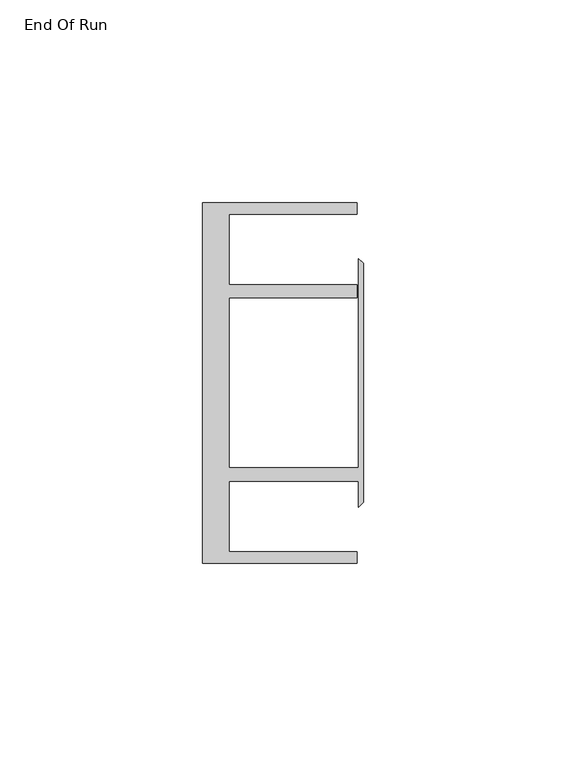
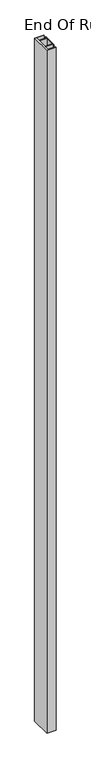
"""IFC4 building model written with IfcOpenShell, lengths in millimetres: furniture geometry, End Of Run."""

from ifc_helpers import new_model, si_unit, origin, origin_with_axes, place, context, project, spatial, polyline, outline, extrude, source, transform, mapped, element, save


def end_of_run_6c0220de(model_context):
    return source(origin(), model_context, "Body", "SweptSolid", [
        extrude(outline(polyline([(29.9771531, 59.951805), (68.0771531, 59.951805), (68.0771531, 57.1518064), (36.5771534, 57.1518064), (36.5771534, 39.7518058), (68.0771531, 39.7518058), (68.0771531, 36.4518057), (36.5771534, 36.4518057), (36.5771534, -5.4481956), (68.5195633, -5.4481956), (68.5195633, 46.1177636), (69.6646531, 44.9726737), (69.6646531, -13.9690637), (68.5195633, -15.1141535), (68.5195633, -8.7481957), (36.5771534, -8.7481957), (36.5771534, -26.1481963), (68.0771531, -26.1481963), (68.0771531, -28.948195), (29.9771531, -28.948195), (29.9771531, 59.951805)])), origin_with_axes(), (0.0, 0.0, 1.0), 3048.0),
    ])


if __name__ == "__main__":
    model = new_model("IFC4")
    model_context = context("Model", 3, world=origin())
    ifc_project = project(units=[si_unit("LENGTHUNIT", "METRE", prefix="MILLI")], contexts=[model_context])
    site = spatial("IfcSite", under=ifc_project)
    building = spatial("IfcBuilding", under=site)
    placement = place(None, origin())
    end_of_run_shape = end_of_run_6c0220de(model_context)
    element("IfcFurniture", 1, ObjectType="End Of Run", at=placement, inside=building, context=model_context, shape_type="MappedRepresentation", body=[
        mapped(end_of_run_shape, transform((0.0, 0.0, 0.0), x_axis=(1.0, 0.0, 0.0), y_axis=(0.0, 1.0, 0.0), z_axis=(0.0, 0.0, 1.0))),
    ])
    save(model, "model.ifc")
